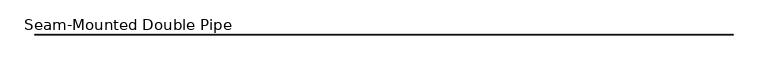
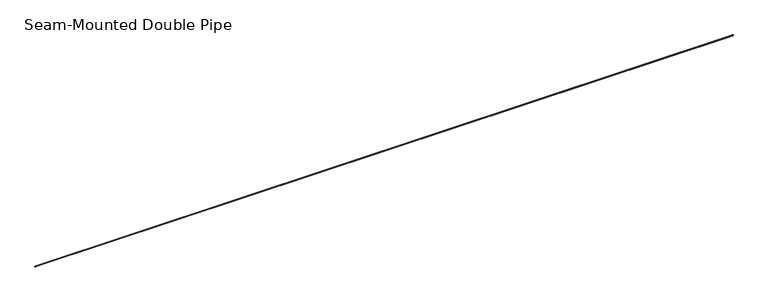
"""IFC4 building model written with IfcOpenShell, lengths in millimetres: proxy geometry, Seam-Mounted Double Pipe."""

from ifc_helpers import new_model, si_unit, point, frame, frame_2d, origin, place, context, project, spatial, circle_curve, trimmed, segment, composite_curve, outline, extrude, source, transform, mapped, element, save


def seam_mounted_double_pipe_6855c053(model_context):
    return source(origin(), model_context, "Body", "SweptSolid", [
        extrude(outline(composite_curve([segment(trimmed(circle_curve(frame_2d((0.0, 4031.45625)), 12.7), [point((12.7, 4031.45625))], [point((-12.7, 4031.45625))], False, "CARTESIAN"), True, "CONTINUOUS"), segment(trimmed(circle_curve(frame_2d((0.0, 4031.45625)), 12.7), [point((-12.7, 4031.45625))], [point((12.7, 4031.45625))], False, "CARTESIAN"), True, "CONTINUOUS")], self_intersect=False)), frame((-101.6, 0.0, 0.0), z_axis=(1.0, 0.0, 0.0), x_axis=(0.0, 1.0, 0.0)), (0.0, 0.0, 1.0), 66919.0226288),
        extrude(outline(composite_curve([segment(trimmed(circle_curve(frame_2d((0.0, 3976.6875)), 12.7), [point((12.7, 3976.6875))], [point((-12.7, 3976.6875))], False, "CARTESIAN"), True, "CONTINUOUS"), segment(trimmed(circle_curve(frame_2d((0.0, 3976.6875)), 12.7), [point((-12.7, 3976.6875))], [point((12.7, 3976.6875))], False, "CARTESIAN"), True, "CONTINUOUS")], self_intersect=False)), frame((-101.6, 0.0, 0.0), z_axis=(1.0, 0.0, 0.0), x_axis=(0.0, 1.0, 0.0)), (0.0, 0.0, 1.0), 66919.0226288),
    ])


if __name__ == "__main__":
    model = new_model("IFC4")
    model_context = context("Model", 3, world=origin())
    ifc_project = project(units=[si_unit("LENGTHUNIT", "METRE", prefix="MILLI")], contexts=[model_context])
    site = spatial("IfcSite", under=ifc_project)
    building = spatial("IfcBuilding", under=site)
    placement = place(None, origin())
    seam_mounted_double_pipe_shape = seam_mounted_double_pipe_6855c053(model_context)
    element("IfcBuildingElementProxy", 1, Name="Seam-Mounted Double Pipe", ObjectType="Seam-Mounted Double Pipe", at=placement, inside=building, context=model_context, shape_type="MappedRepresentation", body=[
        mapped(seam_mounted_double_pipe_shape, transform((0.0, 0.0, 0.0), x_axis=(1.0, 0.0, 0.0), y_axis=(0.0, 1.0, 0.0), z_axis=(0.0, 0.0, 1.0))),
    ])
    save(model, "model.ifc")
